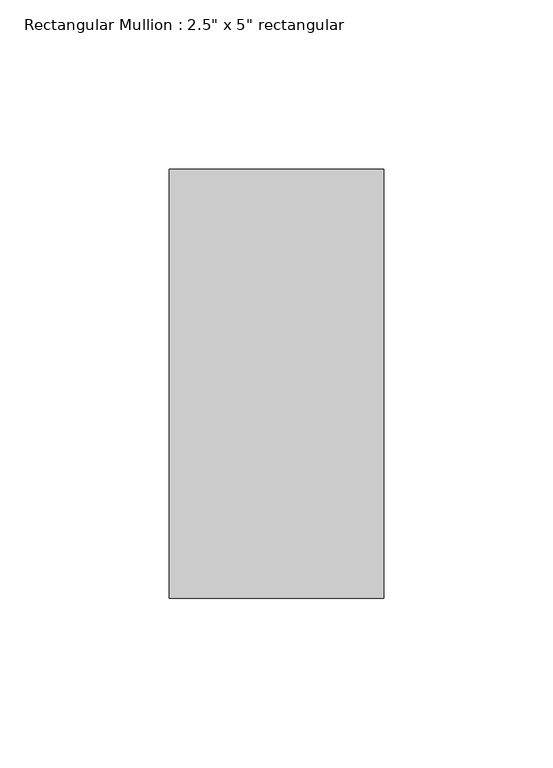
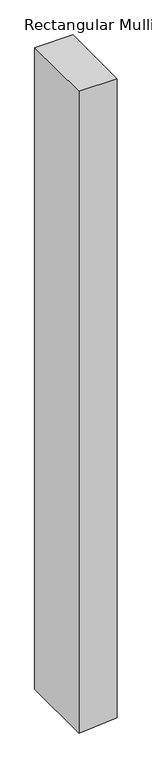
"""IFC4 building model written with IfcOpenShell, lengths in millimetres: member geometry."""

from ifc_helpers import new_model, si_unit, frame, origin, place, context, project, spatial, polyline, outline, extrude, source, transform, mapped, element, save


def member_c6ce88eb(model_context):
    return source(origin(), model_context, "Body", "SweptSolid", [
        extrude(outline(polyline([(0.0, 31.75), (0.0, -31.75), (-1125.7642054, -31.75), (-1123.6507572, -5.001701), (-1120.746916, 31.75), (0.0, 31.75)])), frame((0.0, -63.5, 0.0), z_axis=(0.0, 1.0, 0.0), x_axis=(0.0, 0.0, 1.0)), (0.0, 0.0, 1.0), 127.0),
    ])


if __name__ == "__main__":
    model = new_model("IFC4")
    model_context = context("Model", 3, world=origin())
    ifc_project = project(units=[si_unit("LENGTHUNIT", "METRE", prefix="MILLI")], contexts=[model_context])
    site = spatial("IfcSite", under=ifc_project)
    building = spatial("IfcBuilding", under=site)
    placement = place(None, origin())
    member_shape = member_c6ce88eb(model_context)
    element("IfcMember", 1, ObjectType="Rectangular Mullion : 2.5\" x 5\" rectangular", at=placement, inside=building, context=model_context, shape_type="MappedRepresentation", body=[
        mapped(member_shape, transform((0.0, 0.0, 0.0), x_axis=(1.0, 0.0, 0.0), y_axis=(0.0, 1.0, 0.0), z_axis=(0.0, 0.0, 1.0))),
    ])
    save(model, "model.ifc")
